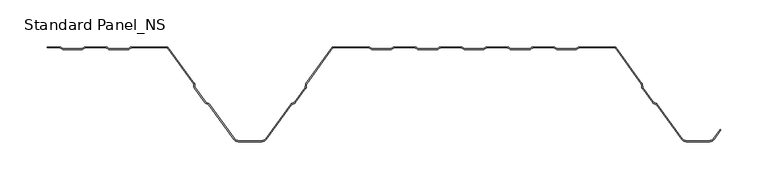
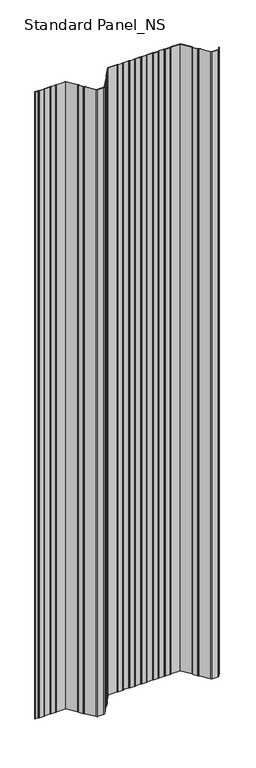
"""IFC4 building model written with IfcOpenShell, lengths in millimetres: proxy geometry, Standard Panel_NS."""

from ifc_helpers import new_model, si_unit, point, frame, frame_2d, origin, place, context, project, spatial, polyline, circle_curve, trimmed, segment, composite_curve, outline, extrude, source, transform, mapped, element, save


def standard_panel_ns_2aa0c1fa(model_context):
    return source(origin(), model_context, "Body", "SweptSolid", [
        extrude(outline(composite_curve([segment(trimmed(circle_curve(frame_2d((-332.6655441, -2.7486049)), 2.7486049), [point((-332.6655441, 0.0))], [point((-331.1408924, -0.4616274))], False, "CARTESIAN"), True, "CONTINUOUS"), segment(polyline([(-331.1408924, -0.4616274), (-329.27385, -1.7063223)]), True, "CONTINUOUS"), segment(trimmed(circle_curve(frame_2d((-328.3038985, -0.2513951)), 1.7486049), [point((-329.27385, -1.7063223))], [point((-328.3038985, -2.0))], True, "CARTESIAN"), True, "CONTINUOUS"), segment(polyline([(-328.3038985, -2.0), (-309.3627684, -2.0)]), True, "CONTINUOUS"), segment(trimmed(circle_curve(frame_2d((-309.3627684, -0.2513951)), 1.7486049), [point((-309.3627684, -2.0))], [point((-308.392817, -1.7063223))], True, "CARTESIAN"), True, "CONTINUOUS"), segment(polyline([(-308.392817, -1.7063223), (-306.5257746, -0.4616274)]), True, "CONTINUOUS"), segment(trimmed(circle_curve(frame_2d((-305.0011229, -2.7486049)), 2.7486049), [point((-306.5257746, -0.4616274))], [point((-305.0011229, 0.0))], False, "CARTESIAN"), True, "CONTINUOUS"), segment(polyline([(-305.0011229, 0.0), (-283.4988774, 0.0)]), True, "CONTINUOUS"), segment(trimmed(circle_curve(frame_2d((-283.4988774, -2.7486049)), 2.7486049), [point((-283.4988774, 0.0))], [point((-281.9742257, -0.4616274))], False, "CARTESIAN"), True, "CONTINUOUS"), segment(polyline([(-281.9742257, -0.4616274), (-280.1071833, -1.7063223)]), True, "CONTINUOUS"), segment(trimmed(circle_curve(frame_2d((-279.1372319, -0.2513951)), 1.7486049), [point((-280.1071833, -1.7063223))], [point((-279.1372319, -2.0))], True, "CARTESIAN"), True, "CONTINUOUS"), segment(polyline([(-279.1372319, -2.0), (-260.1961018, -2.0)]), True, "CONTINUOUS"), segment(trimmed(circle_curve(frame_2d((-260.1961018, -0.2513951)), 1.7486049), [point((-260.1961018, -2.0))], [point((-259.2261503, -1.7063223))], True, "CARTESIAN"), True, "CONTINUOUS"), segment(polyline([(-259.2261503, -1.7063223), (-257.3591079, -0.4616274)]), True, "CONTINUOUS"), segment(trimmed(circle_curve(frame_2d((-255.8344562, -2.7486049)), 2.7486049), [point((-257.3591079, -0.4616274))], [point((-255.8344562, 0.0))], False, "CARTESIAN"), True, "CONTINUOUS"), segment(polyline([(-255.8344562, 0.0), (-217.5000002, 0.0), (-189.3690592, -38.8012978)]), True, "CONTINUOUS"), segment(trimmed(circle_curve(frame_2d((-191.5943584, -40.4146398)), 2.7486049), [point((-189.3690592, -38.8012978))], [point((-188.8478765, -40.3066321))], False, "CARTESIAN"), True, "CONTINUOUS"), segment(polyline([(-188.8478765, -40.3066321), (-188.7597011, -42.5488047)]), True, "CONTINUOUS"), segment(trimmed(circle_curve(frame_2d((-187.0124468, -42.4800924)), 1.7486049), [point((-188.7597011, -42.5488047))], [point((-188.4281356, -43.5064668))], True, "CARTESIAN"), True, "CONTINUOUS"), segment(polyline([(-188.4281356, -43.5064668), (-177.3103065, -58.8414035)]), True, "CONTINUOUS"), segment(trimmed(circle_curve(frame_2d((-175.8946177, -57.8150291)), 1.7486049), [point((-177.3103065, -58.8414035))], [point((-176.5032119, -59.4543071))], True, "CARTESIAN"), True, "CONTINUOUS"), segment(polyline([(-176.5032119, -59.4543071), (-174.3996005, -60.2352885)]), True, "CONTINUOUS"), segment(trimmed(circle_curve(frame_2d((-175.3562403, -62.8120441)), 2.7486049), [point((-174.3996005, -60.2352885))], [point((-173.1309411, -61.1987022))], False, "CARTESIAN"), True, "CONTINUOUS"), segment(polyline([(-173.1309411, -61.1987022), (-146.4972427, -97.9348379)]), True, "CONTINUOUS"), segment(trimmed(circle_curve(frame_2d((-142.4491905, -95.0)), 5.0), [point((-146.4972427, -97.9348379))], [point((-142.4491905, -100.0))], True, "CARTESIAN"), True, "CONTINUOUS"), segment(polyline([(-142.4491905, -100.0), (-117.5508098, -100.0)]), True, "CONTINUOUS"), segment(trimmed(circle_curve(frame_2d((-117.5508098, -95.0)), 5.0), [point((-117.5508098, -100.0))], [point((-113.5027576, -97.9348379))], True, "CARTESIAN"), True, "CONTINUOUS"), segment(polyline([(-113.5027576, -97.9348379), (-86.8690592, -61.1987022)]), True, "CONTINUOUS"), segment(trimmed(circle_curve(frame_2d((-84.64376, -62.8120441)), 2.7486049), [point((-86.8690592, -61.1987022))], [point((-85.6003998, -60.2352885))], False, "CARTESIAN"), True, "CONTINUOUS"), segment(polyline([(-85.6003998, -60.2352885), (-83.4967884, -59.4543071)]), True, "CONTINUOUS"), segment(trimmed(circle_curve(frame_2d((-84.1053826, -57.8150291)), 1.7486049), [point((-83.4967884, -59.4543071))], [point((-82.6896938, -58.8414035))], True, "CARTESIAN"), True, "CONTINUOUS"), segment(polyline([(-82.6896938, -58.8414035), (-71.5718647, -43.5064668)]), True, "CONTINUOUS"), segment(trimmed(circle_curve(frame_2d((-72.9875535, -42.4800924)), 1.7486049), [point((-71.5718647, -43.5064668))], [point((-71.2402992, -42.5488047))], True, "CARTESIAN"), True, "CONTINUOUS"), segment(polyline([(-71.2402992, -42.5488047), (-71.1521238, -40.3066321)]), True, "CONTINUOUS"), segment(trimmed(circle_curve(frame_2d((-68.4056419, -40.4146398)), 2.7486049), [point((-71.1521238, -40.3066321))], [point((-70.6309411, -38.8012978))], False, "CARTESIAN"), True, "CONTINUOUS"), segment(polyline([(-70.6309411, -38.8012978), (-42.5000002, 0.0), (-4.1655441, 0.0)]), True, "CONTINUOUS"), segment(trimmed(circle_curve(frame_2d((-4.1655441, -2.7486049)), 2.7486049), [point((-4.1655441, 0.0))], [point((-2.6408924, -0.4616274))], False, "CARTESIAN"), True, "CONTINUOUS"), segment(polyline([(-2.6408924, -0.4616274), (-0.77385, -1.7063223)]), True, "CONTINUOUS"), segment(trimmed(circle_curve(frame_2d((0.1961015, -0.2513951)), 1.7486049), [point((-0.77385, -1.7063223))], [point((0.1961015, -2.0))], True, "CARTESIAN"), True, "CONTINUOUS"), segment(polyline([(0.1961015, -2.0), (19.1372316, -2.0)]), True, "CONTINUOUS"), segment(trimmed(circle_curve(frame_2d((19.1372316, -0.2513951)), 1.7486049), [point((19.1372316, -2.0))], [point((20.107183, -1.7063223))], True, "CARTESIAN"), True, "CONTINUOUS"), segment(polyline([(20.107183, -1.7063223), (21.9742254, -0.4616274)]), True, "CONTINUOUS"), segment(trimmed(circle_curve(frame_2d((23.4988771, -2.7486049)), 2.7486049), [point((21.9742254, -0.4616274))], [point((23.4988771, 0.0))], False, "CARTESIAN"), True, "CONTINUOUS"), segment(polyline([(23.4988771, 0.0), (45.0011226, 0.0)]), True, "CONTINUOUS"), segment(trimmed(circle_curve(frame_2d((45.0011226, -2.7486049)), 2.7486049), [point((45.0011226, 0.0))], [point((46.5257743, -0.4616274))], False, "CARTESIAN"), True, "CONTINUOUS"), segment(polyline([(46.5257743, -0.4616274), (48.3928167, -1.7063223)]), True, "CONTINUOUS"), segment(trimmed(circle_curve(frame_2d((49.3627681, -0.2513951)), 1.7486049), [point((48.3928167, -1.7063223))], [point((49.3627681, -2.0))], True, "CARTESIAN"), True, "CONTINUOUS"), segment(polyline([(49.3627681, -2.0), (68.3038982, -2.0)]), True, "CONTINUOUS"), segment(trimmed(circle_curve(frame_2d((68.3038982, -0.2513951)), 1.7486049), [point((68.3038982, -2.0))], [point((69.2738497, -1.7063223))], True, "CARTESIAN"), True, "CONTINUOUS"), segment(polyline([(69.2738497, -1.7063223), (71.1408921, -0.4616274)]), True, "CONTINUOUS"), segment(trimmed(circle_curve(frame_2d((72.6655438, -2.7486049)), 2.7486049), [point((71.1408921, -0.4616274))], [point((72.6655438, 0.0))], False, "CARTESIAN"), True, "CONTINUOUS"), segment(polyline([(72.6655438, 0.0), (94.1677892, 0.0)]), True, "CONTINUOUS"), segment(trimmed(circle_curve(frame_2d((94.1677892, -2.7486049)), 2.7486049), [point((94.1677892, 0.0))], [point((95.6924409, -0.4616274))], False, "CARTESIAN"), True, "CONTINUOUS"), segment(polyline([(95.6924409, -0.4616274), (97.5594833, -1.7063223)]), True, "CONTINUOUS"), segment(trimmed(circle_curve(frame_2d((98.5294348, -0.2513951)), 1.7486049), [point((97.5594833, -1.7063223))], [point((98.5294348, -2.0))], True, "CARTESIAN"), True, "CONTINUOUS"), segment(polyline([(98.5294348, -2.0), (117.4705649, -2.0)]), True, "CONTINUOUS"), segment(trimmed(circle_curve(frame_2d((117.4705649, -0.2513951)), 1.7486049), [point((117.4705649, -2.0))], [point((118.4405164, -1.7063223))], True, "CARTESIAN"), True, "CONTINUOUS"), segment(polyline([(118.4405164, -1.7063223), (120.3075588, -0.4616274)]), True, "CONTINUOUS"), segment(trimmed(circle_curve(frame_2d((121.8322104, -2.7486049)), 2.7486049), [point((120.3075588, -0.4616274))], [point((121.8322104, 0.0))], False, "CARTESIAN"), True, "CONTINUOUS"), segment(polyline([(121.8322104, 0.0), (143.3344559, 0.0)]), True, "CONTINUOUS"), segment(trimmed(circle_curve(frame_2d((143.3344559, -2.7486049)), 2.7486049), [point((143.3344559, 0.0))], [point((144.8591076, -0.4616274))], False, "CARTESIAN"), True, "CONTINUOUS"), segment(polyline([(144.8591076, -0.4616274), (146.72615, -1.7063223)]), True, "CONTINUOUS"), segment(trimmed(circle_curve(frame_2d((147.6961015, -0.2513951)), 1.7486049), [point((146.72615, -1.7063223))], [point((147.6961015, -2.0))], True, "CARTESIAN"), True, "CONTINUOUS"), segment(polyline([(147.6961015, -2.0), (166.6372316, -2.0)]), True, "CONTINUOUS"), segment(trimmed(circle_curve(frame_2d((166.6372316, -0.2513951)), 1.7486049), [point((166.6372316, -2.0))], [point((167.607183, -1.7063223))], True, "CARTESIAN"), True, "CONTINUOUS"), segment(polyline([(167.607183, -1.7063223), (169.4742254, -0.4616274)]), True, "CONTINUOUS"), segment(trimmed(circle_curve(frame_2d((170.9988771, -2.7486049)), 2.7486049), [point((169.4742254, -0.4616274))], [point((170.9988771, 0.0))], False, "CARTESIAN"), True, "CONTINUOUS"), segment(polyline([(170.9988771, 0.0), (192.5011226, 0.0)]), True, "CONTINUOUS"), segment(trimmed(circle_curve(frame_2d((192.5011226, -2.7486049)), 2.7486049), [point((192.5011226, 0.0))], [point((194.0257743, -0.4616274))], False, "CARTESIAN"), True, "CONTINUOUS"), segment(polyline([(194.0257743, -0.4616274), (195.8928167, -1.7063223)]), True, "CONTINUOUS"), segment(trimmed(circle_curve(frame_2d((196.8627681, -0.2513951)), 1.7486049), [point((195.8928167, -1.7063223))], [point((196.8627681, -2.0))], True, "CARTESIAN"), True, "CONTINUOUS"), segment(polyline([(196.8627681, -2.0), (215.8038982, -2.0)]), True, "CONTINUOUS"), segment(trimmed(circle_curve(frame_2d((215.8038982, -0.2513951)), 1.7486049), [point((215.8038982, -2.0))], [point((216.7738497, -1.7063223))], True, "CARTESIAN"), True, "CONTINUOUS"), segment(polyline([(216.7738497, -1.7063223), (218.6408921, -0.4616274)]), True, "CONTINUOUS"), segment(trimmed(circle_curve(frame_2d((220.1655438, -2.7486049)), 2.7486049), [point((218.6408921, -0.4616274))], [point((220.1655438, 0.0))], False, "CARTESIAN"), True, "CONTINUOUS"), segment(polyline([(220.1655438, 0.0), (258.4999998, 0.0), (286.6309408, -38.8012978)]), True, "CONTINUOUS"), segment(trimmed(circle_curve(frame_2d((284.4056416, -40.4146398)), 2.7486049), [point((286.6309408, -38.8012978))], [point((287.1521235, -40.3066321))], False, "CARTESIAN"), True, "CONTINUOUS"), segment(polyline([(287.1521235, -40.3066321), (287.2402989, -42.5488047)]), True, "CONTINUOUS"), segment(trimmed(circle_curve(frame_2d((288.9875532, -42.4800924)), 1.7486049), [point((287.2402989, -42.5488047))], [point((287.5718644, -43.5064668))], True, "CARTESIAN"), True, "CONTINUOUS"), segment(polyline([(287.5718644, -43.5064668), (298.6896935, -58.8414035)]), True, "CONTINUOUS"), segment(trimmed(circle_curve(frame_2d((300.1053823, -57.8150291)), 1.7486049), [point((298.6896935, -58.8414035))], [point((299.4967881, -59.4543071))], True, "CARTESIAN"), True, "CONTINUOUS"), segment(polyline([(299.4967881, -59.4543071), (301.6003995, -60.2352885)]), True, "CONTINUOUS"), segment(trimmed(circle_curve(frame_2d((300.6437597, -62.8120441)), 2.7486049), [point((301.6003995, -60.2352885))], [point((302.8690589, -61.1987022))], False, "CARTESIAN"), True, "CONTINUOUS"), segment(polyline([(302.8690589, -61.1987022), (329.5027573, -97.9348379)]), True, "CONTINUOUS"), segment(trimmed(circle_curve(frame_2d((333.5508095, -95.0)), 5.0), [point((329.5027573, -97.9348379))], [point((333.5508095, -100.0))], True, "CARTESIAN"), True, "CONTINUOUS"), segment(polyline([(333.5508095, -100.0), (358.4491902, -100.0)]), True, "CONTINUOUS"), segment(trimmed(circle_curve(frame_2d((358.4491902, -95.0)), 5.0), [point((358.4491902, -100.0))], [point((362.4972424, -97.9348379))], True, "CARTESIAN"), True, "CONTINUOUS"), segment(polyline([(362.4972424, -97.9348379), (369.8045134, -87.8558433), (370.6141239, -88.4428109), (363.3068528, -98.5218054)]), True, "CONTINUOUS"), segment(trimmed(circle_curve(frame_2d((358.4491902, -95.0)), 6.0), [point((363.3068528, -98.5218054))], [point((358.4491902, -101.0))], False, "CARTESIAN"), True, "CONTINUOUS"), segment(polyline([(358.4491902, -101.0), (333.5508095, -101.0)]), True, "CONTINUOUS"), segment(trimmed(circle_curve(frame_2d((333.5508095, -95.0)), 6.0), [point((333.5508095, -101.0))], [point((328.6931469, -98.5218054))], False, "CARTESIAN"), True, "CONTINUOUS"), segment(polyline([(328.6931469, -98.5218054), (302.0594485, -61.7856697)]), True, "CONTINUOUS"), segment(trimmed(circle_curve(frame_2d((300.6437597, -62.8120441)), 1.7486049), [point((302.0594485, -61.7856697))], [point((301.2523539, -61.1727662))], True, "CARTESIAN"), True, "CONTINUOUS"), segment(polyline([(301.2523539, -61.1727662), (299.1487425, -60.3917847)]), True, "CONTINUOUS"), segment(trimmed(circle_curve(frame_2d((300.1053823, -57.8150291)), 2.7486049), [point((299.1487425, -60.3917847))], [point((297.8800831, -59.4283711))], False, "CARTESIAN"), True, "CONTINUOUS"), segment(polyline([(297.8800831, -59.4283711), (286.762254, -44.0934344)]), True, "CONTINUOUS"), segment(trimmed(circle_curve(frame_2d((288.9875532, -42.4800924)), 2.7486049), [point((286.762254, -44.0934344))], [point((286.2410712, -42.5881001))], False, "CARTESIAN"), True, "CONTINUOUS"), segment(polyline([(286.2410712, -42.5881001), (286.1528959, -40.3459275)]), True, "CONTINUOUS"), segment(trimmed(circle_curve(frame_2d((284.4056416, -40.4146398)), 1.7486049), [point((286.1528959, -40.3459275))], [point((285.8213303, -39.3882654))], True, "CARTESIAN"), True, "CONTINUOUS"), segment(polyline([(285.8213303, -39.3882654), (257.9898379, -1.0), (220.1655438, -1.0)]), True, "CONTINUOUS"), segment(trimmed(circle_curve(frame_2d((220.1655438, -2.7486049)), 1.7486049), [point((220.1655438, -1.0))], [point((219.1955923, -1.2936777))], True, "CARTESIAN"), True, "CONTINUOUS"), segment(polyline([(219.1955923, -1.2936777), (217.3285499, -2.5383726)]), True, "CONTINUOUS"), segment(trimmed(circle_curve(frame_2d((215.8038982, -0.2513951)), 2.7486049), [point((217.3285499, -2.5383726))], [point((215.8038982, -3.0))], False, "CARTESIAN"), True, "CONTINUOUS"), segment(polyline([(215.8038982, -3.0), (196.8627681, -3.0)]), True, "CONTINUOUS"), segment(trimmed(circle_curve(frame_2d((196.8627681, -0.2513951)), 2.7486049), [point((196.8627681, -3.0))], [point((195.3381165, -2.5383726))], False, "CARTESIAN"), True, "CONTINUOUS"), segment(polyline([(195.3381165, -2.5383726), (193.4710741, -1.2936777)]), True, "CONTINUOUS"), segment(trimmed(circle_curve(frame_2d((192.5011226, -2.7486049)), 1.7486049), [point((193.4710741, -1.2936777))], [point((192.5011226, -1.0))], True, "CARTESIAN"), True, "CONTINUOUS"), segment(polyline([(192.5011226, -1.0), (170.9988771, -1.0)]), True, "CONTINUOUS"), segment(trimmed(circle_curve(frame_2d((170.9988771, -2.7486049)), 1.7486049), [point((170.9988771, -1.0))], [point((170.0289256, -1.2936777))], True, "CARTESIAN"), True, "CONTINUOUS"), segment(polyline([(170.0289256, -1.2936777), (168.1618832, -2.5383726)]), True, "CONTINUOUS"), segment(trimmed(circle_curve(frame_2d((166.6372316, -0.2513951)), 2.7486049), [point((168.1618832, -2.5383726))], [point((166.6372316, -3.0))], False, "CARTESIAN"), True, "CONTINUOUS"), segment(polyline([(166.6372316, -3.0), (147.6961015, -3.0)]), True, "CONTINUOUS"), segment(trimmed(circle_curve(frame_2d((147.6961015, -0.2513951)), 2.7486049), [point((147.6961015, -3.0))], [point((146.1714498, -2.5383726))], False, "CARTESIAN"), True, "CONTINUOUS"), segment(polyline([(146.1714498, -2.5383726), (144.3044074, -1.2936777)]), True, "CONTINUOUS"), segment(trimmed(circle_curve(frame_2d((143.3344559, -2.7486049)), 1.7486049), [point((144.3044074, -1.2936777))], [point((143.3344559, -1.0))], True, "CARTESIAN"), True, "CONTINUOUS"), segment(polyline([(143.3344559, -1.0), (121.8322104, -1.0)]), True, "CONTINUOUS"), segment(trimmed(circle_curve(frame_2d((121.8322104, -2.7486049)), 1.7486049), [point((121.8322104, -1.0))], [point((120.862259, -1.2936777))], True, "CARTESIAN"), True, "CONTINUOUS"), segment(polyline([(120.862259, -1.2936777), (118.9952166, -2.5383726)]), True, "CONTINUOUS"), segment(trimmed(circle_curve(frame_2d((117.4705649, -0.2513951)), 2.7486049), [point((118.9952166, -2.5383726))], [point((117.4705649, -3.0))], False, "CARTESIAN"), True, "CONTINUOUS"), segment(polyline([(117.4705649, -3.0), (98.5294348, -3.0)]), True, "CONTINUOUS"), segment(trimmed(circle_curve(frame_2d((98.5294348, -0.2513951)), 2.7486049), [point((98.5294348, -3.0))], [point((97.0047831, -2.5383726))], False, "CARTESIAN"), True, "CONTINUOUS"), segment(polyline([(97.0047831, -2.5383726), (95.1377407, -1.2936777)]), True, "CONTINUOUS"), segment(trimmed(circle_curve(frame_2d((94.1677892, -2.7486049)), 1.7486049), [point((95.1377407, -1.2936777))], [point((94.1677892, -1.0))], True, "CARTESIAN"), True, "CONTINUOUS"), segment(polyline([(94.1677892, -1.0), (72.6655438, -1.0)]), True, "CONTINUOUS"), segment(trimmed(circle_curve(frame_2d((72.6655438, -2.7486049)), 1.7486049), [point((72.6655438, -1.0))], [point((71.6955923, -1.2936777))], True, "CARTESIAN"), True, "CONTINUOUS"), segment(polyline([(71.6955923, -1.2936777), (69.8285499, -2.5383726)]), True, "CONTINUOUS"), segment(trimmed(circle_curve(frame_2d((68.3038982, -0.2513951)), 2.7486049), [point((69.8285499, -2.5383726))], [point((68.3038982, -3.0))], False, "CARTESIAN"), True, "CONTINUOUS"), segment(polyline([(68.3038982, -3.0), (49.3627681, -3.0)]), True, "CONTINUOUS"), segment(trimmed(circle_curve(frame_2d((49.3627681, -0.2513951)), 2.7486049), [point((49.3627681, -3.0))], [point((47.8381165, -2.5383726))], False, "CARTESIAN"), True, "CONTINUOUS"), segment(polyline([(47.8381165, -2.5383726), (45.9710741, -1.2936777)]), True, "CONTINUOUS"), segment(trimmed(circle_curve(frame_2d((45.0011226, -2.7486049)), 1.7486049), [point((45.9710741, -1.2936777))], [point((45.0011226, -1.0))], True, "CARTESIAN"), True, "CONTINUOUS"), segment(polyline([(45.0011226, -1.0), (23.4988771, -1.0)]), True, "CONTINUOUS"), segment(trimmed(circle_curve(frame_2d((23.4988771, -2.7486049)), 1.7486049), [point((23.4988771, -1.0))], [point((22.5289256, -1.2936777))], True, "CARTESIAN"), True, "CONTINUOUS"), segment(polyline([(22.5289256, -1.2936777), (20.6618832, -2.5383726)]), True, "CONTINUOUS"), segment(trimmed(circle_curve(frame_2d((19.1372316, -0.2513951)), 2.7486049), [point((20.6618832, -2.5383726))], [point((19.1372316, -3.0))], False, "CARTESIAN"), True, "CONTINUOUS"), segment(polyline([(19.1372316, -3.0), (0.1961015, -3.0)]), True, "CONTINUOUS"), segment(trimmed(circle_curve(frame_2d((0.1961015, -0.2513951)), 2.7486049), [point((0.1961015, -3.0))], [point((-1.3285502, -2.5383726))], False, "CARTESIAN"), True, "CONTINUOUS"), segment(polyline([(-1.3285502, -2.5383726), (-3.1955926, -1.2936777)]), True, "CONTINUOUS"), segment(trimmed(circle_curve(frame_2d((-4.1655441, -2.7486049)), 1.7486049), [point((-3.1955926, -1.2936777))], [point((-4.1655441, -1.0))], True, "CARTESIAN"), True, "CONTINUOUS"), segment(polyline([(-4.1655441, -1.0), (-41.9898382, -1.0), (-69.8213306, -39.3882654)]), True, "CONTINUOUS"), segment(trimmed(circle_curve(frame_2d((-68.4056419, -40.4146398)), 1.7486049), [point((-69.8213306, -39.3882654))], [point((-70.1528962, -40.3459275))], True, "CARTESIAN"), True, "CONTINUOUS"), segment(polyline([(-70.1528962, -40.3459275), (-70.2410715, -42.5881001)]), True, "CONTINUOUS"), segment(trimmed(circle_curve(frame_2d((-72.9875535, -42.4800924)), 2.7486049), [point((-70.2410715, -42.5881001))], [point((-70.7622543, -44.0934344))], False, "CARTESIAN"), True, "CONTINUOUS"), segment(polyline([(-70.7622543, -44.0934344), (-81.8800834, -59.4283711)]), True, "CONTINUOUS"), segment(trimmed(circle_curve(frame_2d((-84.1053826, -57.8150291)), 2.7486049), [point((-81.8800834, -59.4283711))], [point((-83.1487428, -60.3917847))], False, "CARTESIAN"), True, "CONTINUOUS"), segment(polyline([(-83.1487428, -60.3917847), (-85.2523542, -61.1727662)]), True, "CONTINUOUS"), segment(trimmed(circle_curve(frame_2d((-84.64376, -62.8120441)), 1.7486049), [point((-85.2523542, -61.1727662))], [point((-86.0594488, -61.7856697))], True, "CARTESIAN"), True, "CONTINUOUS"), segment(polyline([(-86.0594488, -61.7856697), (-112.6931472, -98.5218054)]), True, "CONTINUOUS"), segment(trimmed(circle_curve(frame_2d((-117.5508098, -95.0)), 6.0), [point((-112.6931472, -98.5218054))], [point((-117.5508098, -101.0))], False, "CARTESIAN"), True, "CONTINUOUS"), segment(polyline([(-117.5508098, -101.0), (-142.4491905, -101.0)]), True, "CONTINUOUS"), segment(trimmed(circle_curve(frame_2d((-142.4491905, -95.0)), 6.0), [point((-142.4491905, -101.0))], [point((-147.3068531, -98.5218054))], False, "CARTESIAN"), True, "CONTINUOUS"), segment(polyline([(-147.3068531, -98.5218054), (-173.9405515, -61.7856697)]), True, "CONTINUOUS"), segment(trimmed(circle_curve(frame_2d((-175.3562403, -62.8120441)), 1.7486049), [point((-173.9405515, -61.7856697))], [point((-174.7476461, -61.1727662))], True, "CARTESIAN"), True, "CONTINUOUS"), segment(polyline([(-174.7476461, -61.1727662), (-176.8512575, -60.3917847)]), True, "CONTINUOUS"), segment(trimmed(circle_curve(frame_2d((-175.8946177, -57.8150291)), 2.7486049), [point((-176.8512575, -60.3917847))], [point((-178.1199169, -59.4283711))], False, "CARTESIAN"), True, "CONTINUOUS"), segment(polyline([(-178.1199169, -59.4283711), (-189.237746, -44.0934344)]), True, "CONTINUOUS"), segment(trimmed(circle_curve(frame_2d((-187.0124468, -42.4800924)), 2.7486049), [point((-189.237746, -44.0934344))], [point((-189.7589288, -42.5881001))], False, "CARTESIAN"), True, "CONTINUOUS"), segment(polyline([(-189.7589288, -42.5881001), (-189.8471041, -40.3459275)]), True, "CONTINUOUS"), segment(trimmed(circle_curve(frame_2d((-191.5943584, -40.4146398)), 1.7486049), [point((-189.8471041, -40.3459275))], [point((-190.1786697, -39.3882654))], True, "CARTESIAN"), True, "CONTINUOUS"), segment(polyline([(-190.1786697, -39.3882654), (-218.0101621, -1.0), (-255.8344562, -1.0)]), True, "CONTINUOUS"), segment(trimmed(circle_curve(frame_2d((-255.8344562, -2.7486049)), 1.7486049), [point((-255.8344562, -1.0))], [point((-256.8044077, -1.2936777))], True, "CARTESIAN"), True, "CONTINUOUS"), segment(polyline([(-256.8044077, -1.2936777), (-258.6714501, -2.5383726)]), True, "CONTINUOUS"), segment(trimmed(circle_curve(frame_2d((-260.1961018, -0.2513951)), 2.7486049), [point((-258.6714501, -2.5383726))], [point((-260.1961018, -3.0))], False, "CARTESIAN"), True, "CONTINUOUS"), segment(polyline([(-260.1961018, -3.0), (-279.1372319, -3.0)]), True, "CONTINUOUS"), segment(trimmed(circle_curve(frame_2d((-279.1372319, -0.2513951)), 2.7486049), [point((-279.1372319, -3.0))], [point((-280.6618835, -2.5383726))], False, "CARTESIAN"), True, "CONTINUOUS"), segment(polyline([(-280.6618835, -2.5383726), (-282.5289259, -1.2936777)]), True, "CONTINUOUS"), segment(trimmed(circle_curve(frame_2d((-283.4988774, -2.7486049)), 1.7486049), [point((-282.5289259, -1.2936777))], [point((-283.4988774, -1.0))], True, "CARTESIAN"), True, "CONTINUOUS"), segment(polyline([(-283.4988774, -1.0), (-305.0011229, -1.0)]), True, "CONTINUOUS"), segment(trimmed(circle_curve(frame_2d((-305.0011229, -2.7486049)), 1.7486049), [point((-305.0011229, -1.0))], [point((-305.9710744, -1.2936777))], True, "CARTESIAN"), True, "CONTINUOUS"), segment(polyline([(-305.9710744, -1.2936777), (-307.8381168, -2.5383726)]), True, "CONTINUOUS"), segment(trimmed(circle_curve(frame_2d((-309.3627684, -0.2513951)), 2.7486049), [point((-307.8381168, -2.5383726))], [point((-309.3627684, -3.0))], False, "CARTESIAN"), True, "CONTINUOUS"), segment(polyline([(-309.3627684, -3.0), (-328.3038985, -3.0)]), True, "CONTINUOUS"), segment(trimmed(circle_curve(frame_2d((-328.3038985, -0.2513951)), 2.7486049), [point((-328.3038985, -3.0))], [point((-329.8285502, -2.5383726))], False, "CARTESIAN"), True, "CONTINUOUS"), segment(polyline([(-329.8285502, -2.5383726), (-331.6955926, -1.2936777)]), True, "CONTINUOUS"), segment(trimmed(circle_curve(frame_2d((-332.6655441, -2.7486049)), 1.7486049), [point((-331.6955926, -1.2936777))], [point((-332.6655441, -1.0))], True, "CARTESIAN"), True, "CONTINUOUS"), segment(polyline([(-332.6655441, -1.0), (-345.9999998, -1.0), (-345.9999998, 0.0), (-332.6655441, 0.0)]), True, "CONTINUOUS")], self_intersect=False)), frame((0.0, 0.0, -250.0), z_axis=(0.0, 0.0, 1.0), x_axis=(1.0, 0.0, 0.0)), (0.0, 0.0, 1.0), 2762.4689053),
    ])


if __name__ == "__main__":
    model = new_model("IFC4")
    model_context = context("Model", 3, world=origin())
    ifc_project = project(units=[si_unit("LENGTHUNIT", "METRE", prefix="MILLI")], contexts=[model_context])
    site = spatial("IfcSite", under=ifc_project)
    building = spatial("IfcBuilding", under=site)
    placement = place(None, origin())
    standard_panel_ns_shape = standard_panel_ns_2aa0c1fa(model_context)
    element("IfcBuildingElementProxy", 1, Name="Standard Panel_NS", ObjectType="Standard Panel_NS", at=placement, inside=building, context=model_context, shape_type="MappedRepresentation", body=[
        mapped(standard_panel_ns_shape, transform((0.0, 0.0, 0.0), x_axis=(1.0, 0.0, 0.0), y_axis=(0.0, 1.0, 0.0), z_axis=(0.0, 0.0, 1.0))),
    ])
    save(model, "model.ifc")
